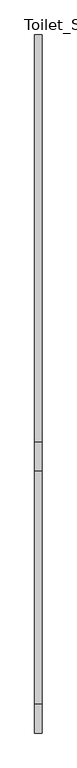
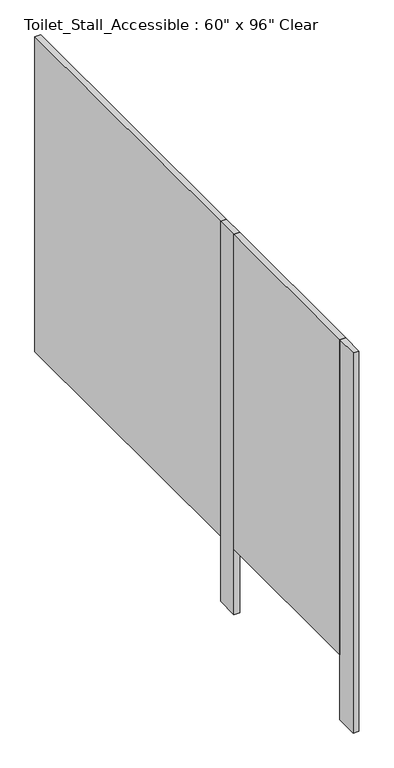
"""IFC4 building model written with IfcOpenShell, lengths in millimetres: proxy geometry."""

from ifc_helpers import new_model, si_unit, frame, origin, origin_with_axes, place, context, project, spatial, polyline, outline, extrude, source, transform, mapped, element, save


def proxy_b54b38c5(model_context):
    return source(origin(), model_context, "Body", "SweptSolid", [
        extrude(outline(polyline([(-661.8968462, -2428.875), (-687.2968462, -2428.875), (-687.2968462, -1616.075), (-661.8968462, -1616.075), (-661.8968462, -2428.875)])), frame((0.0, 0.0, 304.8), z_axis=(0.0, 0.0, 1.0), x_axis=(1.0, 0.0, 0.0)), (0.0, 0.0, 1.0), 1473.2),
        extrude(outline(polyline([(-661.8968462, -2530.475), (-687.2968462, -2530.475), (-687.2968462, -2428.875), (-661.8968462, -2428.875), (-661.8968462, -2530.475)])), origin_with_axes(), (0.0, 0.0, 1.0), 1778.0),
        extrude(outline(polyline([(-661.8968462, -1616.075), (-687.2968462, -1616.075), (-687.2968462, -1514.475), (-661.8968462, -1514.475), (-661.8968462, -1616.075)])), origin_with_axes(), (0.0, 0.0, 1.0), 1778.0),
        extrude(outline(polyline([(-687.2968462, -1514.475), (-687.2968462, -92.075), (-661.8968462, -92.075), (-661.8968462, -1514.475), (-687.2968462, -1514.475)])), frame((0.0, 0.0, 304.8), z_axis=(0.0, 0.0, 1.0), x_axis=(1.0, 0.0, 0.0)), (0.0, 0.0, 1.0), 1473.2),
    ])


if __name__ == "__main__":
    model = new_model("IFC4")
    model_context = context("Model", 3, world=origin())
    ifc_project = project(units=[si_unit("LENGTHUNIT", "METRE", prefix="MILLI")], contexts=[model_context])
    site = spatial("IfcSite", under=ifc_project)
    building = spatial("IfcBuilding", under=site)
    placement = place(None, origin())
    proxy_shape = proxy_b54b38c5(model_context)
    element("IfcBuildingElementProxy", 1, Name="Toilet_Stall_Accessible : 60\" x 96\" Clear", ObjectType="Toilet_Stall_Accessible : 60\" x 96\" Clear", at=placement, inside=building, context=model_context, shape_type="MappedRepresentation", body=[
        mapped(proxy_shape, transform((0.0, 0.0, 0.0), x_axis=(1.0, 0.0, 0.0), y_axis=(0.0, 1.0, 0.0), z_axis=(0.0, 0.0, 1.0))),
    ])
    save(model, "model.ifc")
